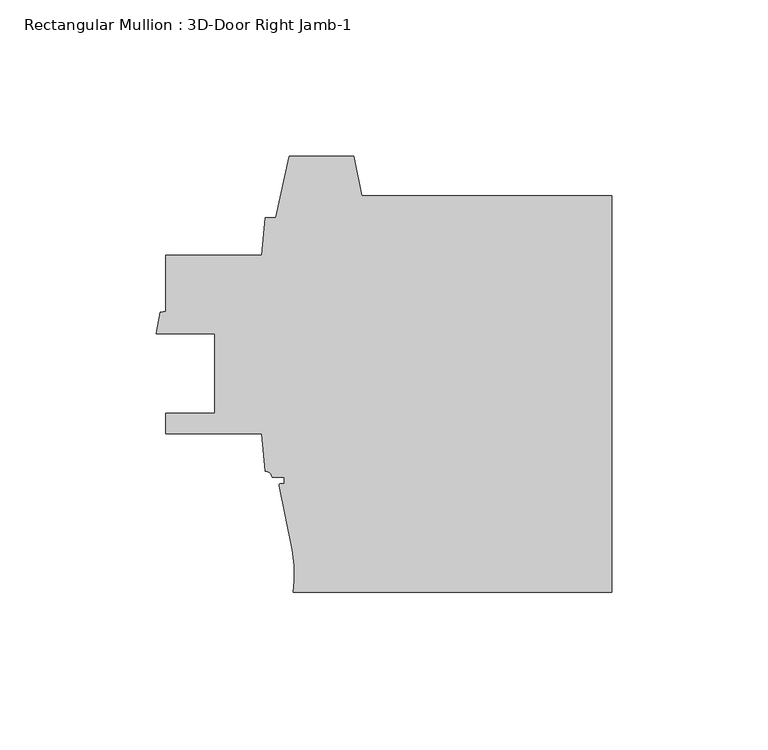
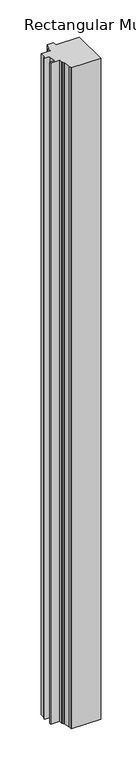
"""IFC4 building model written with IfcOpenShell, lengths in millimetres: member geometry, Rectangular Mullion : 3D-Door Right Jamb-1."""

from ifc_helpers import new_model, si_unit, point, frame, frame_2d, origin, place, context, project, spatial, polyline, circle_curve, trimmed, segment, composite_curve, outline, extrude, source, transform, mapped, element, save


def rectangular_mullion_3d_door_right_jamb_1_10ad0751(model_context):
    return source(origin(), model_context, "Body", "SweptSolid", [
        extrude(outline(composite_curve([segment(polyline([(-112.080681, 36.5214099), (-111.0085204, 48.5214099), (-107.6022882, 48.5214099)]), True, "CONTINUOUS"), segment(trimmed(circle_curve(frame_2d((-770.6005884, 199.628173)), 680.0), [point((-107.6022882, 48.5214099))], [point((-103.4084116, 68.2714099))], True, "CARTESIAN"), True, "CONTINUOUS"), segment(polyline([(-103.4084116, 68.2714099), (-82.7529509, 68.2714099)]), True, "CONTINUOUS"), segment(trimmed(circle_curve(frame_2d((584.4392259, 199.628173)), 680.0), [point((-82.7529509, 68.2714099))], [point((-80.1246024, 55.5625))], True, "CARTESIAN"), True, "CONTINUOUS"), segment(polyline([(-80.1246024, 55.5625), (0.0, 55.5625), (0.0, -71.4375), (-102.0422168, -71.4375)]), True, "CONTINUOUS"), segment(trimmed(circle_curve(frame_2d((-183.6395644, -62.7465181)), 82.0588832), [point((-102.0422168, -71.4375))], [point((-101.730307, -67.6996838))], True, "CARTESIAN"), True, "CONTINUOUS"), segment(trimmed(circle_curve(frame_2d((-141.6573712, -65.2852392)), 40.0), [point((-101.730307, -67.6996838))], [point((-102.3484201, -57.8821071))], True, "CARTESIAN"), True, "CONTINUOUS"), segment(trimmed(circle_curve(frame_2d((-770.6005884, -183.7353531)), 680.0), [point((-102.3484201, -57.8821071))], [point((-106.5689398, -37.23631))], True, "CARTESIAN"), True, "CONTINUOUS"), segment(trimmed(circle_curve(frame_2d((-106.0806813, -37.1285901)), 0.5), [point((-106.5689398, -37.23631))], [point((-106.0806813, -36.6285901))], False, "CARTESIAN"), True, "CONTINUOUS"), segment(polyline([(-106.0806813, -36.6285901), (-104.9806813, -36.6285901), (-104.9806813, -34.6285898), (-108.8558397, -34.6285898)]), True, "CONTINUOUS"), segment(trimmed(circle_curve(frame_2d((-111.0308173, -34.811222)), 2.1826319), [point((-108.8558397, -34.6285898))], [point((-111.0085102, -32.6287041))], True, "CARTESIAN"), True, "CONTINUOUS"), segment(polyline([(-111.0085102, -32.6287041), (-112.080681, -20.6285901), (-142.8646812, -20.6285901), (-142.8646812, -14.0884363), (-127.2436813, -14.0884363), (-127.2436813, 11.3373098), (-145.98604, 11.3373098), (-144.7061813, 18.2815135), (-142.8646813, 18.6062196), (-142.8646813, 36.5214099), (-112.080681, 36.5214099)]), True, "CONTINUOUS")], self_intersect=False)), frame((0.0, 0.0, -2406.5592218), z_axis=(0.0, 0.0, 1.0), x_axis=(1.0, 0.0, 0.0)), (0.0, 0.0, 1.0), 2406.5592218),
    ])


if __name__ == "__main__":
    model = new_model("IFC4")
    model_context = context("Model", 3, world=origin())
    ifc_project = project(units=[si_unit("LENGTHUNIT", "METRE", prefix="MILLI")], contexts=[model_context])
    site = spatial("IfcSite", under=ifc_project)
    building = spatial("IfcBuilding", under=site)
    placement = place(None, origin())
    rectangular_mullion_3d_door_right_jamb_1_shape = rectangular_mullion_3d_door_right_jamb_1_10ad0751(model_context)
    element("IfcMember", 1, ObjectType="Rectangular Mullion : 3D-Door Right Jamb-1", at=placement, inside=building, context=model_context, shape_type="MappedRepresentation", body=[
        mapped(rectangular_mullion_3d_door_right_jamb_1_shape, transform((0.0, 0.0, 0.0), x_axis=(1.0, 0.0, 0.0), y_axis=(0.0, 1.0, 0.0), z_axis=(0.0, 0.0, 1.0))),
    ])
    save(model, "model.ifc")
